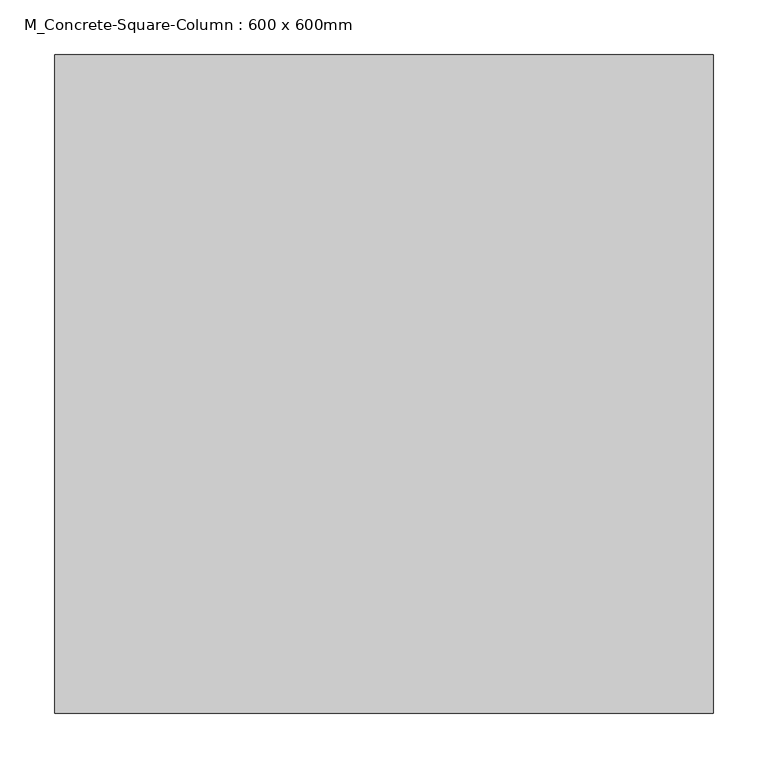
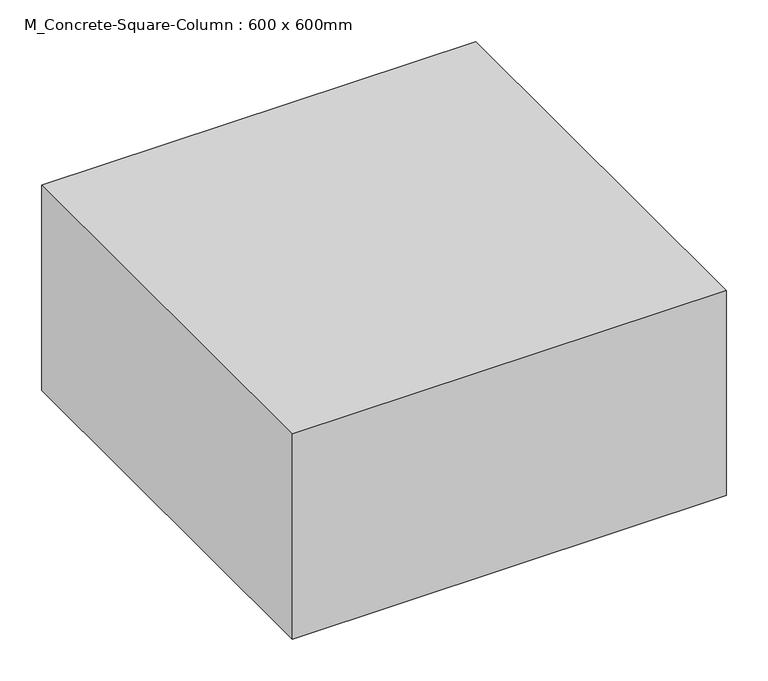
"""IFC4 building model written with IfcOpenShell, lengths in millimetres: column geometry, M_Concrete-Square-Column : 600 x 600mm."""

from ifc_helpers import new_model, si_unit, origin, origin_with_axes, place, context, project, spatial, polyline, outline, extrude, source, transform, mapped, element, save


def m_concrete_square_column_600_x_600mm_cc081a69(model_context):
    return source(origin(), model_context, "Body", "SweptSolid", [
        extrude(outline(polyline([(300.0, 300.0), (300.0, -300.0), (-300.0, -300.0), (-300.0, 300.0), (300.0, 300.0)])), origin_with_axes(), (0.0, 0.0, 1.0), 300.0),
    ])


if __name__ == "__main__":
    model = new_model("IFC4")
    model_context = context("Model", 3, world=origin())
    ifc_project = project(units=[si_unit("LENGTHUNIT", "METRE", prefix="MILLI")], contexts=[model_context])
    site = spatial("IfcSite", under=ifc_project)
    building = spatial("IfcBuilding", under=site)
    placement = place(None, origin())
    m_concrete_square_column_600_x_600mm_shape = m_concrete_square_column_600_x_600mm_cc081a69(model_context)
    element("IfcColumn", 1, ObjectType="M_Concrete-Square-Column : 600 x 600mm", at=placement, inside=building, context=model_context, shape_type="MappedRepresentation", body=[
        mapped(m_concrete_square_column_600_x_600mm_shape, transform((0.0, 0.0, 0.0), x_axis=(1.0, 0.0, 0.0), y_axis=(0.0, 1.0, 0.0), z_axis=(0.0, 0.0, 1.0))),
    ])
    save(model, "model.ifc")
